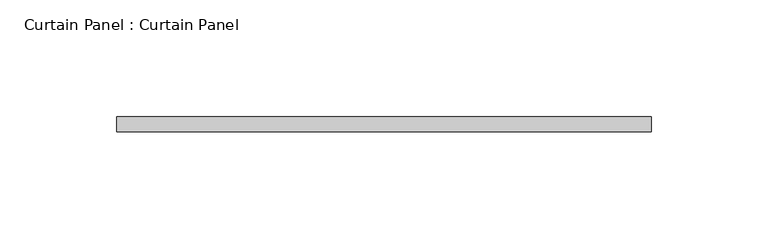
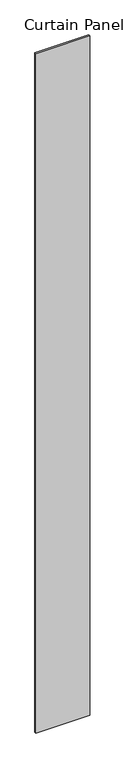
"""IFC4 building model written with IfcOpenShell, lengths in millimetres: plate geometry, Curtain Panel : Curtain Panel."""

from ifc_helpers import new_model, si_unit, origin, origin_with_axes, place, context, project, spatial, polyline, outline, extrude, source, transform, mapped, element, save


def curtain_panel_curtain_panel_bc078f5c(model_context):
    return source(origin(), model_context, "Body", "SweptSolid", [
        extrude(outline(polyline([(543.6099078, 92820.5311923), (772.2099078, 92820.5311923), (772.2099078, 92814.1811923), (543.6099078, 92814.1811923), (543.6099078, 92820.5311923)])), origin_with_axes(), (0.0, 0.0, 1.0), 3048.0),
    ])


if __name__ == "__main__":
    model = new_model("IFC4")
    model_context = context("Model", 3, world=origin())
    ifc_project = project(units=[si_unit("LENGTHUNIT", "METRE", prefix="MILLI")], contexts=[model_context])
    site = spatial("IfcSite", under=ifc_project)
    building = spatial("IfcBuilding", under=site)
    placement = place(None, origin())
    curtain_panel_curtain_panel_shape = curtain_panel_curtain_panel_bc078f5c(model_context)
    element("IfcPlate", 1, ObjectType="Curtain Panel : Curtain Panel", at=placement, inside=building, context=model_context, shape_type="MappedRepresentation", body=[
        mapped(curtain_panel_curtain_panel_shape, transform((0.0, 0.0, 0.0), x_axis=(1.0, 0.0, 0.0), y_axis=(0.0, 1.0, 0.0), z_axis=(0.0, 0.0, 1.0))),
    ])
    save(model, "model.ifc")
